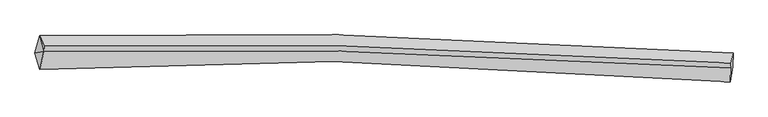
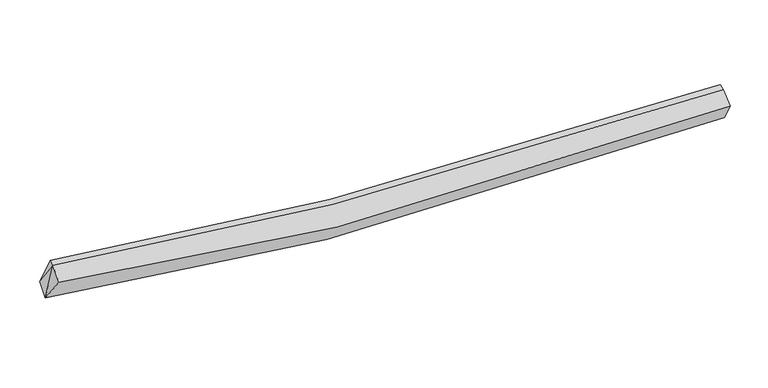
"""IFC4 building model written with IfcOpenShell, lengths in millimetres: proxy geometry."""

from ifc_helpers import new_model, si_unit, frame, origin, place, context, project, spatial, source, transform, mapped, element, save
from ifc_brep_helpers import plane_surface, spline_curve, spline_surface, advanced_brep


def generic_models_4a608b01(model_context):
    return source(origin(), model_context, "Body", "AdvancedBrep", [
        advanced_brep(
        [(-7536.6134773, -2001.8832962, 3254.4114349), (-7425.1426716, -1575.4827503, 3397.6679531), (9143.3084288, -1999.5277883, 2566.5461456), (9132.7164016, -2335.4335109, 2362.5682456), (-7422.2127032, -2395.891864, 3863.7424636), (9077.2578589, -2689.3153799, 2892.9379024), (-7322.9291576, -1963.9691025, 4011.3704476), (9085.1319024, -2362.5165541, 3132.2798707), (-7317.051375, -1833.266098, 4061.1918918), (9091.009685, -2231.8135496, 3182.1013149)],
        [
            (0, 1),
            (1, 2, spline_curve(3, [(-7425.1426716, -1575.4827503, 3397.6679531), (-5107.536540137, -1522.010022941, 2994.088711231), (-2775.371880299, -1516.938870525, 2712.129920592), (2735.535910815, -1618.693508878, 2335.600725583), (5926.188283476, -1765.113007014, 2340.518912963), (9143.3084288, -1999.5277883, 2566.5461456)], [4, 2, 4], [0.0, 23.322728618046355, 54.76973485764477])),
            (2, 3),
            (3, 0, spline_curve(3, [(9132.7164016, -2335.4335109, 2362.5682456), (5922.114273066, -2040.850378015, 2026.590971854), (2723.151967146, -1878.753674205, 1981.525133656), (-2828.053958083, -1827.182884379, 2409.702557419), (-5185.53494433, -1878.096183513, 2752.049459325), (-7536.6134773, -2001.8832962, 3254.4114349)], [4, 2, 4], [0.0, 31.447006239598416, 54.76973485764477])),
            (4, 0),
            (3, 5),
            (5, 4, spline_curve(3, [(9077.2578589, -2689.3153799, 2892.9379024), (5908.305682467, -2387.47900781, 2534.636218185), (2745.745025444, -2226.703140232, 2488.740945495), (-2751.202612885, -2192.365844913, 2952.910546982), (-5088.465477896, -2255.333873499, 3322.407340621), (-7422.2127032, -2395.891864, 3863.7424636)], [4, 2, 4], [0.0, 31.42395452041156, 54.729586789550225])),
            (6, 4),
            (5, 7),
            (7, 6, spline_curve(3, [(9085.1319024, -2362.5165541, 3132.2798707), (5920.848198254, -2138.828369565, 2928.159617104), (2770.320471377, -1999.778520461, 2937.841395075), (-2692.84367783, -1905.012610733, 3327.072369555), (-5011.669637529, -1911.213309006, 3610.420784849), (-7322.9291576, -1963.9691025, 4011.3704476)], [4, 2, 4], [0.0, 31.147276838066226, 54.24771060751799])),
            (8, 6),
            (7, 9),
            (9, 8, spline_curve(3, [(9091.009685, -2231.8135496, 3182.1013149), (5926.72598088, -2008.125365692, 2977.981062082), (2776.198253424, -1869.075516527, 2987.662839132), (-2686.965894819, -1774.309605988, 3376.893813861), (-5005.791854205, -1780.510304293, 3660.24222917), (-7317.051375, -1833.266098, 4061.1918918)], [4, 2, 4], [0.0, 31.024856157972273, 54.034496410314205])),
            (1, 8),
            (9, 2),
            (1, 6),
            (6, 0),
        ],
        [
            spline_surface(3, 3, [[(-7536.6134773, -2001.8832962, 3254.4114349), (-5185.5349445, -1878.096183515, 2752.049459278), (-2828.053957721, -1827.182884324, 2409.702557542), (2723.151966658, -1878.753674279, 1981.52513349), (5922.114272893, -2040.85037839, 2026.590972134), (9132.7164016, -2335.4335109, 2362.5682456)], [(-7499.456542067, -1859.74978089, 3302.16360764), (-5159.53547638, -1759.400796557, 2832.729209828), (-2810.493265133, -1723.768213104, 2510.51167865), (2727.279947892, -1792.066952421, 2099.55033069), (5923.472276497, -1948.937921168, 2131.233618976), (9136.247077343, -2223.464936709, 2430.560878941)], [(-7462.299606833, -1717.61626561, 3349.91578036), (-5133.536008258, -1640.705409631, 2913.408960357), (-2792.932572547, -1620.353541878, 2611.32079981), (2731.407929124, -1705.380230557, 2217.575527943), (5924.83028007, -1857.025463918, 2235.876265796), (9139.777753057, -2111.496362491, 2498.553512259)], [(-7425.1426716, -1575.4827503, 3397.6679531), (-5107.536540138, -1522.010022673, 2994.088710906), (-2775.37187996, -1516.938870658, 2712.129920918), (2735.535910358, -1618.693508699, 2335.600725144), (5926.188283674, -1765.113006696, 2340.518912639), (9143.3084288, -1999.5277883, 2566.5461456)]], [4, 4], [4, 2, 4], [0.0, 1.428620162781142], [0.0, 23.322728618046355, 54.76973485764477]),
            spline_surface(3, 3, [[(-7422.2127032, -2395.891864, 3863.7424636), (-5088.46547788, -2255.333873461, 3322.407340715), (-2751.202613273, -2192.365844895, 2952.910547281), (2745.745025966, -2226.703140256, 2488.740945092), (5908.305682021, -2387.479007454, 2534.636218178), (9077.2578589, -2689.3153799, 2892.9379024)], [(-7460.346294548, -2264.555674754, 3660.632120675), (-5120.821966735, -2129.587976833, 3132.288046878), (-2776.819728089, -2070.638191354, 2771.841217361), (2738.214006196, -2110.719984913, 2319.669007884), (5912.908545621, -2271.936131109, 2365.287802828), (9095.744039776, -2571.35475691, 2716.148016797)], [(-7498.479885952, -2133.219485446, 3457.521777825), (-5153.178455645, -2003.842080143, 2942.168753115), (-2802.436842904, -1948.910537865, 2590.771887462), (2730.682986428, -1994.736829622, 2150.597070697), (5917.511409294, -2156.393254735, 2195.939387485), (9114.230220724, -2453.39413389, 2539.358131203)], [(-7536.6134773, -2001.8832962, 3254.4114349), (-5185.5349445, -1878.096183515, 2752.049459278), (-2828.053957721, -1827.182884324, 2409.702557542), (2723.151966658, -1878.753674279, 1981.52513349), (5922.114272893, -2040.85037839, 2026.590972134), (9132.7164016, -2335.4335109, 2362.5682456)]], [4, 4], [4, 2, 4], [0.0, 2.071688126118098], [0.0, 23.305632269138666, 54.729586789550225]),
            spline_surface(3, 3, [[(-7322.9291576, -1963.9691025, 4011.3704476), (-5011.669637169, -1911.213309012, 3610.42078485), (-2692.84367772, -1905.012610558, 3327.072369825), (2770.320471229, -1999.778520697, 2937.841394712), (5920.848198437, -2138.828369684, 2928.159617433), (9085.1319024, -2362.5165541, 3132.2798707)], [(-7356.023672803, -2107.943356332, 3962.161119622), (-5037.268250743, -2025.920163827, 3514.416303493), (-2712.296656253, -2000.797022009, 3202.35176232), (2762.128656126, -2075.420060555, 2788.141244848), (5916.667359643, -2221.711915607, 2796.985151008), (9082.507221245, -2471.449496033, 3052.499214594)], [(-7389.118187997, -2251.917610168, 3912.951791578), (-5062.866864307, -2140.627018646, 3418.411822071), (-2731.74963474, -2096.581433444, 3077.631154785), (2753.936841069, -2151.061600398, 2638.441094955), (5912.486520815, -2304.595461531, 2665.810684603), (9079.882540055, -2580.382437967, 2972.718558506)], [(-7422.2127032, -2395.891864, 3863.7424636), (-5088.46547788, -2255.333873461, 3322.407340715), (-2751.202613273, -2192.365844895, 2952.910547281), (2745.745025966, -2226.703140256, 2488.740945092), (5908.305682021, -2387.479007454, 2534.636218178), (9077.2578589, -2689.3153799, 2892.9379024)]], [4, 4], [4, 2, 4], [0.0, 1.6036666562186264], [0.0, 23.10043376945176, 54.24771060751799]),
            spline_surface(3, 3, [[(-7317.051375, -1833.266098, 4061.1918918), (-5005.791854569, -1780.510304512, 3660.24222905), (-2686.96589512, -1774.309606158, 3376.893814025), (2776.198253829, -1869.075516297, 2987.662838912), (5926.725981037, -2008.125365184, 2977.981061633), (9091.009685, -2231.8135496, 3182.1013149)], [(-7319.010635857, -1876.833766144, 4044.584743725), (-5007.751115426, -1824.077972656, 3643.635080975), (-2688.925155977, -1817.877274302, 3360.28666595), (2774.238992972, -1912.643184441, 2971.055690837), (5924.766720181, -2051.693033328, 2961.373913558), (9089.050424143, -2275.381217744, 3165.494166825)], [(-7320.969896743, -1920.401434356, 4027.977595675), (-5009.710376313, -1867.645640868, 3627.027932924), (-2690.884416863, -1861.444942414, 3343.679517899), (2772.279732086, -1956.210852553, 2954.448542786), (5922.807459294, -2095.26070154, 2944.766765507), (9087.091163257, -2318.948885956, 3148.887018775)], [(-7322.9291576, -1963.9691025, 4011.3704476), (-5011.669637169, -1911.213309012, 3610.42078485), (-2692.84367772, -1905.012610558, 3327.072369825), (2770.320471229, -1999.778520697, 2937.841394712), (5920.848198437, -2138.828369684, 2928.159617433), (9085.1319024, -2362.5165541, 3132.2798707)]], [4, 4], [4, 2, 4], [0.0, 0.4593175853018378], [0.0, 23.00964025234193, 54.034496410314205]),
            spline_surface(3, 3, [[(-7425.1426716, -1575.4827503, 3397.6679531), (-5107.536540138, -1522.010022673, 2994.088710906), (-2775.37187996, -1516.938870658, 2712.129920918), (2735.535910358, -1618.693508699, 2335.600725144), (5926.188283674, -1765.113006696, 2340.518912639), (9143.3084288, -1999.5277883, 2566.5461456)], [(-7389.112239425, -1661.41053288, 3618.842599337), (-5073.621644974, -1608.1767833, 3216.139883624), (-2745.903218341, -1602.729115825, 2933.717885309), (2749.090024854, -1702.154177898, 2552.954763089), (5926.367516121, -1846.117126196, 2553.006295646), (9125.875514193, -2076.956375404, 2771.731202043)], [(-7353.081807175, -1747.33831542, 3840.017245563), (-5039.706749734, -1694.343543885, 3438.191056331), (-2716.434556739, -1688.519360992, 3155.305849634), (2762.644139333, -1785.614847098, 2770.308800967), (5926.54674859, -1927.121245684, 2765.493678626), (9108.442599607, -2154.384962496, 2976.916258457)], [(-7317.051375, -1833.266098, 4061.1918918), (-5005.791854569, -1780.510304512, 3660.24222905), (-2686.96589512, -1774.309606158, 3376.893814025), (2776.198253829, -1869.075516297, 2987.662838912), (5926.725981037, -2008.125365184, 2977.981061633), (9091.009685, -2231.8135496, 3182.1013149)]], [4, 4], [4, 2, 4], [0.0, 2.3143785625729065], [0.0, 23.12165700819282, 54.29755002286704]),
            plane_surface(frame((9105.8848553, -2323.7213565, 2827.2866958), z_axis=(0.9959710186787212, -0.06735604321989258, 0.05920214011191005), x_axis=(-0.019435030845876736, -0.8066180085770264, -0.590753474653558))),
            plane_surface(frame((-7355.0410681, -1790.9059836, 3823.4100975), z_axis=(-0.9877749105490363, -0.014734276378917069, 0.1551890047311123), x_axis=(0.1393532754575779, -0.5296446971792481, 0.8366941850934229))),
            plane_surface(frame((-7427.2517794, -2120.5814209, 3709.8414487), z_axis=(-0.9559368640535342, 0.12972214573792978, 0.263356938106142), x_axis=(0.15573532039994764, -0.5363691902417491, 0.829490567601185))),
            plane_surface(frame((-7428.2284355, -1847.1117163, 3554.4832785), z_axis=(-0.9518727575523247, 0.16127842091882882, 0.2606290934943035), x_axis=(-0.2405352798288976, -0.9201007742903744, -0.3091235097948511))),
        ],
        [
            (0, [[1, 2, 3, 4]]),
            (1, [[5, -4, 6, 7]]),
            (2, [[8, -7, 9, 10]]),
            (3, [[11, -10, 12, 13]]),
            (4, [[14, -13, 15, -2]]),
            (5, [[-9, -6, -3, -15, -12]]),
            (6, [[16, -11, -14]]),
            (7, [[-5, -8, 17]]),
            (8, [[-1, -17, -16]]),
        ],
    ),
    ])


if __name__ == "__main__":
    model = new_model("IFC4")
    model_context = context("Model", 3, world=origin())
    ifc_project = project(units=[si_unit("LENGTHUNIT", "METRE", prefix="MILLI")], contexts=[model_context])
    site = spatial("IfcSite", under=ifc_project)
    building = spatial("IfcBuilding", under=site)
    placement = place(None, origin())
    generic_models_shape = generic_models_4a608b01(model_context)
    element("IfcBuildingElementProxy", 1, Name="Generic Models", at=placement, inside=building, context=model_context, shape_type="MappedRepresentation", body=[
        mapped(generic_models_shape, transform((0.0, 0.0, 0.0), x_axis=(1.0, 0.0, 0.0), y_axis=(0.0, 1.0, 0.0), z_axis=(0.0, 0.0, 1.0))),
    ])
    save(model, "model.ifc")
